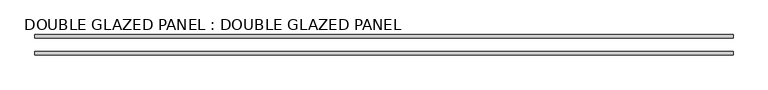
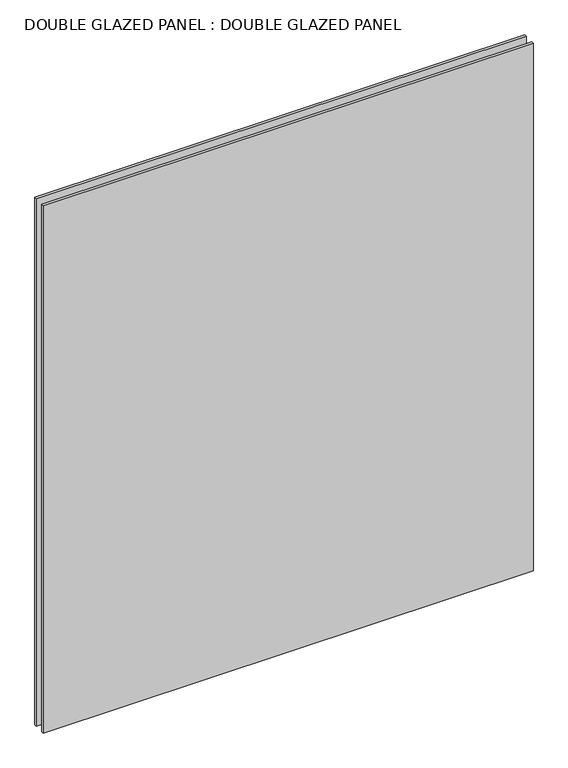
"""IFC4 building model written with IfcOpenShell, lengths in millimetres: plate geometry, DOUBLE GLAZED PANEL : DOUBLE GLAZED PANEL."""

from ifc_helpers import new_model, si_unit, origin, origin_with_axes, place, context, project, spatial, polyline, outline, extrude, source, transform, mapped, element, save


def double_glazed_panel_double_glazed_panel_ada907ae(model_context):
    return source(origin(), model_context, "Body", "SweptSolid", [
        extrude(outline(polyline([(1306.5125, 6.35), (1306.5125, -6.35), (-1306.5125, -6.35), (-1306.5125, 6.35), (1306.5125, 6.35)])), origin_with_axes(), (0.0, 0.0, 1.0), 2971.8),
        extrude(outline(polyline([(1306.5125, 69.85), (1306.5125, 57.15), (-1306.5125, 57.15), (-1306.5125, 69.85), (1306.5125, 69.85)])), origin_with_axes(), (0.0, 0.0, 1.0), 2971.8),
    ])


if __name__ == "__main__":
    model = new_model("IFC4")
    model_context = context("Model", 3, world=origin())
    ifc_project = project(units=[si_unit("LENGTHUNIT", "METRE", prefix="MILLI")], contexts=[model_context])
    site = spatial("IfcSite", under=ifc_project)
    building = spatial("IfcBuilding", under=site)
    placement = place(None, origin())
    double_glazed_panel_double_glazed_panel_shape = double_glazed_panel_double_glazed_panel_ada907ae(model_context)
    element("IfcPlate", 1, ObjectType="DOUBLE GLAZED PANEL : DOUBLE GLAZED PANEL", at=placement, inside=building, context=model_context, shape_type="MappedRepresentation", body=[
        mapped(double_glazed_panel_double_glazed_panel_shape, transform((0.0, 0.0, 0.0), x_axis=(1.0, 0.0, 0.0), y_axis=(0.0, 1.0, 0.0), z_axis=(0.0, 0.0, 1.0))),
    ])
    save(model, "model.ifc")
